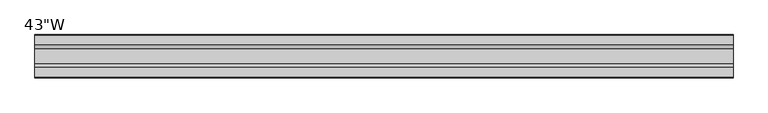
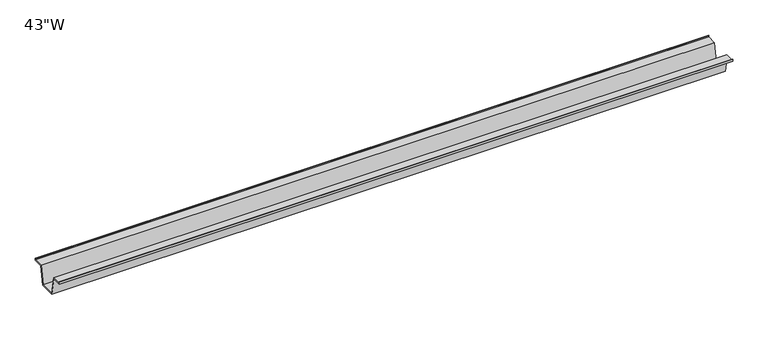
"""IFC4 building model written with IfcOpenShell, lengths in millimetres: furniture geometry."""

import ifcopenshell
import ifcopenshell.guid

model = None  # the IFC model being written
_history = None  # IfcOwnerHistory: only IFC2X3 demands one
_inside = {}  # id of a spatial element -> (the spatial element, [elements in it])
_under = {}  # id of a project, library or spatial element -> (it, [spatial elements below it])
_declared = {}  # id of a project -> (the project, [libraries it declares])
_typed = {}  # id of a type object -> (the type object, [elements of that type])
_made_of = {}  # id of a material, layer set ... -> (it, [elements and type objects made of it])


def new_model(schema):
    """Start an empty IFC model of exactly this schema.

    Asked for "IFC4X3", IfcOpenShell would pick the latest addendum, in which some entities
    have other attributes; the version numbers below select the first issue.
    IFC2X3 requires an IfcOwnerHistory on every rooted entity: one is made here for all.
    """
    global model, _history
    if schema == "IFC4X3":
        model = ifcopenshell.file(schema_version=(4, 3, 0, 0))
    else:
        model = ifcopenshell.file(schema=schema)
    _inside.clear()
    _under.clear()
    _declared.clear()
    _typed.clear()
    _made_of.clear()
    _history = None
    if model.schema == "IFC2X3":
        org = make("IfcOrganization", Name="unknown")
        user = make(
            "IfcPersonAndOrganization",
            ThePerson=make("IfcPerson", FamilyName="unknown"),
            TheOrganization=org,
        )
        app = make(
            "IfcApplication",
            ApplicationDeveloper=org,
            Version="unknown",
            ApplicationFullName="unknown",
            ApplicationIdentifier="unknown",
        )
        _history = make(
            "IfcOwnerHistory",
            OwningUser=user,
            OwningApplication=app,
            ChangeAction="ADDED",
            CreationDate=0,
        )
    return model


def make(cls, **values):
    """One entity of the class cls with the attributes given. An attribute that is None is left unset."""
    return model.create_entity(
        cls, **{name: value for name, value in values.items() if value is not None}
    )


def rooted(cls, **values):
    """An entity with a GlobalId (a new one), such as an element, a storey or a relation."""
    return make(cls, GlobalId=ifcopenshell.guid.new(), OwnerHistory=_history, **values)


def si_unit(unit_type, name, prefix=None):
    """IfcSIUnit, for example si_unit("LENGTHUNIT", "METRE", prefix="MILLI")."""
    return make("IfcSIUnit", UnitType=unit_type, Prefix=prefix, Name=name)


def assignment(units):
    """IfcUnitAssignment: the units of a project."""
    return None if units is None else make("IfcUnitAssignment", Units=units)


def point(xyz):
    """IfcCartesianPoint."""
    return None if xyz is None else make("IfcCartesianPoint", Coordinates=xyz)


def direction(xyz):
    """IfcDirection."""
    return None if xyz is None else make("IfcDirection", DirectionRatios=xyz)


def frame(location, z_axis=None, x_axis=None):
    """IfcAxis2Placement3D, a coordinate frame: its origin and axes. An axis left out is left unset."""
    return make(
        "IfcAxis2Placement3D",
        Location=point(location),
        Axis=direction(z_axis),
        RefDirection=direction(x_axis),
    )


def origin():
    """The frame at (0, 0, 0) with its axes left unset."""
    return frame((0.0, 0.0, 0.0))


def place(relative_to, where):
    """IfcLocalPlacement: puts the frame where relative to a parent placement (None: the world)."""
    return make(
        "IfcLocalPlacement", PlacementRelTo=relative_to, RelativePlacement=where
    )


def context(
    kind, dimensions, precision=None, world=None, true_north=None, identifier=None
):
    """IfcGeometricRepresentationContext, for example the 3D "Model" context."""
    return make(
        "IfcGeometricRepresentationContext",
        ContextIdentifier=identifier,
        ContextType=kind,
        CoordinateSpaceDimension=dimensions,
        Precision=precision,
        WorldCoordinateSystem=world,
        TrueNorth=true_north,
    )


def project(units=None, contexts=None):
    """IfcProject with its units and contexts."""
    return rooted(
        "IfcProject",
        Name="project",
        RepresentationContexts=contexts,
        UnitsInContext=assignment(units),
    )


def spatial(cls, under=None, at=None, **own):
    """A site, building, storey or space (cls), placed at a placement, below another one or the project."""
    s = rooted(cls, ObjectPlacement=at, **own)
    if under is not None:
        _under.setdefault(under.id(), (under, []))[1].append(s)
    return s


def polyline(points):
    """IfcPolyline through the points."""
    return make("IfcPolyline", Points=[point(p) for p in points])


def outline(outer, holes=None, kind="AREA"):
    """IfcArbitraryClosedProfileDef: a profile drawn as a closed curve; with holes, ...WithVoids."""
    if holes is None:
        return make("IfcArbitraryClosedProfileDef", ProfileType=kind, OuterCurve=outer)
    return make(
        "IfcArbitraryProfileDefWithVoids",
        ProfileType=kind,
        OuterCurve=outer,
        InnerCurves=holes,
    )


def extrude(swept, where, along, depth):
    """IfcExtrudedAreaSolid: the profile swept, set in the frame where, extruded along a direction by depth."""
    return make(
        "IfcExtrudedAreaSolid",
        SweptArea=swept,
        Position=where,
        ExtrudedDirection=direction(along),
        Depth=depth,
    )


def shape(context_of_items, identifier, shape_type, items):
    """IfcShapeRepresentation: the items that make up one representation, for example the "Body"."""
    return make(
        "IfcShapeRepresentation",
        ContextOfItems=context_of_items,
        RepresentationIdentifier=identifier,
        RepresentationType=shape_type,
        Items=items,
    )


def source(mapping_origin, context_of_items, identifier, shape_type, items):
    """IfcRepresentationMap: a shape defined once, which mapped items show again and again."""
    return make(
        "IfcRepresentationMap",
        MappingOrigin=mapping_origin,
        MappedRepresentation=shape(context_of_items, identifier, shape_type, items),
    )


def transform(
    local_origin,
    x_axis=None,
    y_axis=None,
    z_axis=None,
    scale=None,
    scale2=None,
    scale3=None,
    uniform=True,
):
    """IfcCartesianTransformationOperator3D, or its non-uniform kind. x_axis, y_axis, z_axis: its Axis1, 2, 3."""
    if uniform:
        return make(
            "IfcCartesianTransformationOperator3D",
            Axis1=direction(x_axis),
            Axis2=direction(y_axis),
            LocalOrigin=point(local_origin),
            Scale=scale,
            Axis3=direction(z_axis),
        )
    return make(
        "IfcCartesianTransformationOperator3DnonUniform",
        Axis1=direction(x_axis),
        Axis2=direction(y_axis),
        LocalOrigin=point(local_origin),
        Scale=scale,
        Axis3=direction(z_axis),
        Scale2=scale2,
        Scale3=scale3,
    )


def mapped(mapping_source, mapping_target):
    """IfcMappedItem: shows the shape of a source again, moved by a transform."""
    return make(
        "IfcMappedItem", MappingSource=mapping_source, MappingTarget=mapping_target
    )


def made_of(thing, what):
    """Note that an element or type object is made of a material, layer set ...; save() writes the relation."""
    if what is not None:
        _made_of.setdefault(what.id(), (what, []))[1].append(thing)
    return thing


def element(
    cls,
    number,
    at=None,
    inside=None,
    cuts=None,
    type_object=None,
    material=None,
    context=None,
    identifier="Body",
    shape_type=None,
    held_by="IfcProductDefinitionShape",
    body=None,
    shapes=None,
    **own,
):
    """One element of the class cls, such as IfcWall. Its Tag is "e" and its number.

    at: its placement. inside: the storey or other place that contains it. cuts: it is an
    opening in that element (IfcRelVoidsElement). A single representation is given by context,
    identifier, shape_type and body (its items); several are given by shapes. held_by: the class
    of the entity that holds the representations. save() writes the other relations.
    """
    e = rooted(cls, Tag="e%d" % number, ObjectPlacement=at, **own)
    if body is not None:
        shapes = [shape(context, identifier, shape_type, body)]
    if shapes is not None:
        e.Representation = make(held_by, Representations=shapes)
    if inside is not None:
        _inside.setdefault(inside.id(), (inside, []))[1].append(e)
    if cuts is not None:
        rooted(
            "IfcRelVoidsElement", RelatingBuildingElement=cuts, RelatedOpeningElement=e
        )
    if type_object is not None:
        _typed.setdefault(type_object.id(), (type_object, []))[1].append(e)
    return made_of(e, material)


def aggregate(whole, parts):
    """IfcRelAggregates: a whole, such as a stair, and the parts it consists of."""
    return rooted("IfcRelAggregates", RelatingObject=whole, RelatedObjects=parts)


def save(model, path):
    """Write the relations noted so far, then the file.

    IfcRelAggregates (storeys below a building ...), IfcRelContainedInSpatialStructure (elements
    in a storey), IfcRelDefinesByType, IfcRelAssociatesMaterial and IfcRelDeclares: one each for
    every whole, place, type object, material and project.
    """
    for whole, parts in _under.values():
        aggregate(whole, parts)
    for where, things in _inside.values():
        rooted(
            "IfcRelContainedInSpatialStructure",
            RelatedElements=things,
            RelatingStructure=where,
        )
    for kind, things in _typed.values():
        rooted("IfcRelDefinesByType", RelatedObjects=things, RelatingType=kind)
    for what, things in _made_of.values():
        rooted("IfcRelAssociatesMaterial", RelatedObjects=things, RelatingMaterial=what)
    for by, libraries in _declared.values():
        rooted("IfcRelDeclares", RelatingContext=by, RelatedDefinitions=libraries)
    model.write(path)


def furniture_fef09162(model_context):
    return source(origin(), model_context, "Body", "SweptSolid", [
        extrude(outline(polyline([(-22.9397721, 703.834), (-28.502372, 673.6080007), (-53.9023728, 673.6080007), (-59.4649727, 703.834), (-75.3653716, 703.834), (-75.3653716, 707.009), (-74.5716216, 707.009), (-74.5716216, 704.62775), (-58.8172994, 704.62775), (-53.2546995, 674.4017507), (-29.1500453, 674.4017507), (-23.5874454, 704.62775), (-7.8331232, 704.62775), (-7.8331232, 707.009), (-7.0393732, 707.009), (-7.0393732, 703.834), (-22.9397721, 703.834)])), frame((-549.91, 0.0, 0.0), z_axis=(1.0, 0.0, 0.0), x_axis=(0.0, 1.0, 0.0)), (0.0, 0.0, 1.0), 1099.82),
    ])


if __name__ == "__main__":
    model = new_model("IFC4")
    model_context = context("Model", 3, world=origin())
    ifc_project = project(units=[si_unit("LENGTHUNIT", "METRE", prefix="MILLI")], contexts=[model_context])
    site = spatial("IfcSite", under=ifc_project)
    building = spatial("IfcBuilding", under=site)
    placement = place(None, origin())
    furniture_shape = furniture_fef09162(model_context)
    element("IfcFurniture", 1, ObjectType="43\"W", at=placement, inside=building, context=model_context, shape_type="MappedRepresentation", body=[
        mapped(furniture_shape, transform((0.0, 0.0, 0.0), x_axis=(1.0, 0.0, 0.0), y_axis=(0.0, 1.0, 0.0), z_axis=(0.0, 0.0, 1.0))),
    ])
    save(model, "model.ifc")
